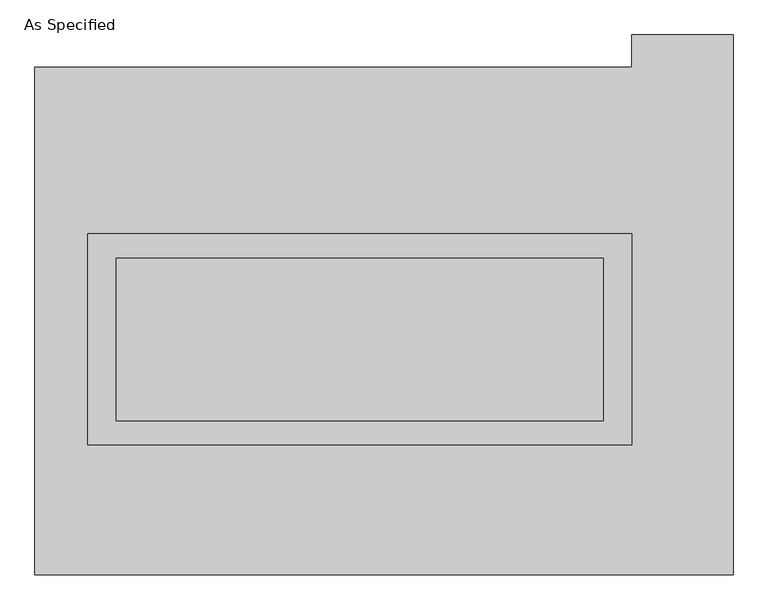
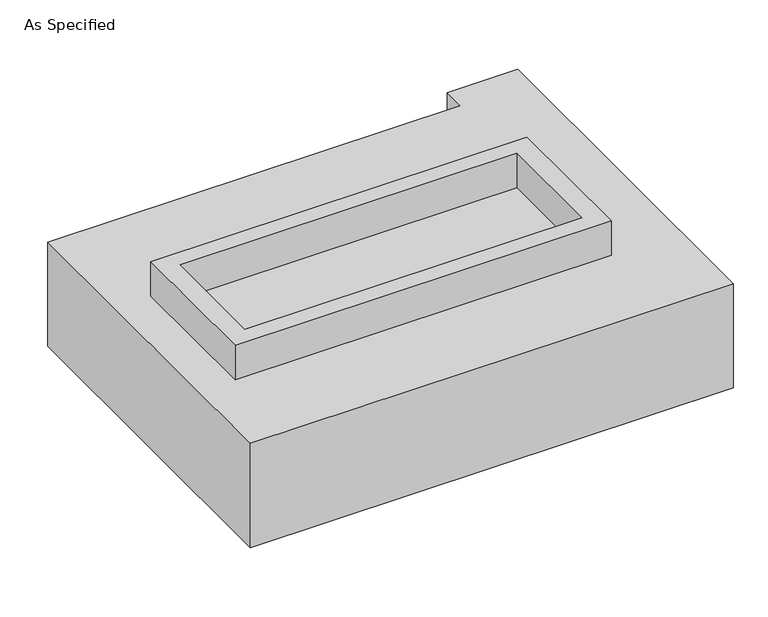
"""IFC4 building model written with IfcOpenShell, lengths in millimetres: proxy geometry, As Specified."""

from ifc_helpers import new_model, si_unit, frame, origin, place, context, project, spatial, polyline, outline, extrude, source, transform, mapped, element, save


def as_specified_a5a7b902(model_context):
    return source(origin(), model_context, "Body", "SweptSolid", [
        extrude(outline(polyline([(850.9, 273.05), (850.9, -387.35), (-850.9, -387.35), (-850.9, 273.05), (850.9, 273.05)]), holes=[polyline([(762.0, 196.85), (-762.0, 196.85), (-762.0, -311.15), (762.0, -311.15), (762.0, 196.85)])]), frame((0.0, 0.0, -688.975), z_axis=(0.0, 0.0, 1.0), x_axis=(1.0, 0.0, 0.0)), (0.0, 0.0, 1.0), 165.1),
        extrude(outline(polyline([(850.9, 273.05), (850.9, -387.35), (-850.9, -387.35), (-850.9, 273.05), (850.9, 273.05)]), holes=[polyline([(762.0, 196.85), (-762.0, 196.85), (-762.0, -311.15), (762.0, -311.15), (762.0, 196.85)])]), frame((0.0, 0.0, -25.4), z_axis=(0.0, 0.0, 1.0), x_axis=(1.0, 0.0, 0.0)), (0.0, 0.0, 1.0), 165.1),
        extrude(outline(polyline([(762.0, 196.85), (762.0, -311.15), (-762.0, -311.15), (-762.0, 196.85), (762.0, 196.85)])), frame((0.0, 0.0, -523.875), z_axis=(0.0, 0.0, 1.0), x_axis=(1.0, 0.0, 0.0)), (0.0, 0.0, 1.0), 4.9609375),
        extrude(outline(polyline([(762.0, 196.85), (762.0, -311.15), (-762.0, -311.15), (-762.0, 196.85), (762.0, 196.85)])), frame((0.0, 0.0, -30.3609375), z_axis=(0.0, 0.0, 1.0), x_axis=(1.0, 0.0, 0.0)), (0.0, 0.0, 1.0), 4.9609375),
        extrude(outline(polyline([(1168.4, -793.75), (-1016.0, -793.75), (-1016.0, 793.75), (850.9, 793.75), (850.9, 895.35), (1168.4, 895.35), (1168.4, -793.75)]), holes=[polyline([(-850.9, 273.05), (-850.9, -387.35), (850.9, -387.35), (850.9, 273.05), (-850.9, 273.05)])]), frame((0.0, 0.0, -523.875), z_axis=(0.0, 0.0, 1.0), x_axis=(1.0, 0.0, 0.0)), (0.0, 0.0, 1.0), 498.475),
    ])


if __name__ == "__main__":
    model = new_model("IFC4")
    model_context = context("Model", 3, world=origin())
    ifc_project = project(units=[si_unit("LENGTHUNIT", "METRE", prefix="MILLI")], contexts=[model_context])
    site = spatial("IfcSite", under=ifc_project)
    building = spatial("IfcBuilding", under=site)
    placement = place(None, origin())
    as_specified_shape = as_specified_a5a7b902(model_context)
    element("IfcBuildingElementProxy", 1, Name="As Specified", ObjectType="As Specified", at=placement, inside=building, context=model_context, shape_type="MappedRepresentation", body=[
        mapped(as_specified_shape, transform((0.0, 0.0, 0.0), x_axis=(1.0, 0.0, 0.0), y_axis=(0.0, 1.0, 0.0), z_axis=(0.0, 0.0, 1.0))),
    ])
    save(model, "model.ifc")
